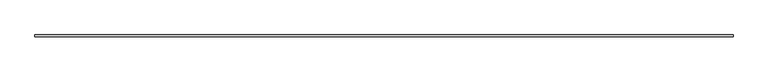
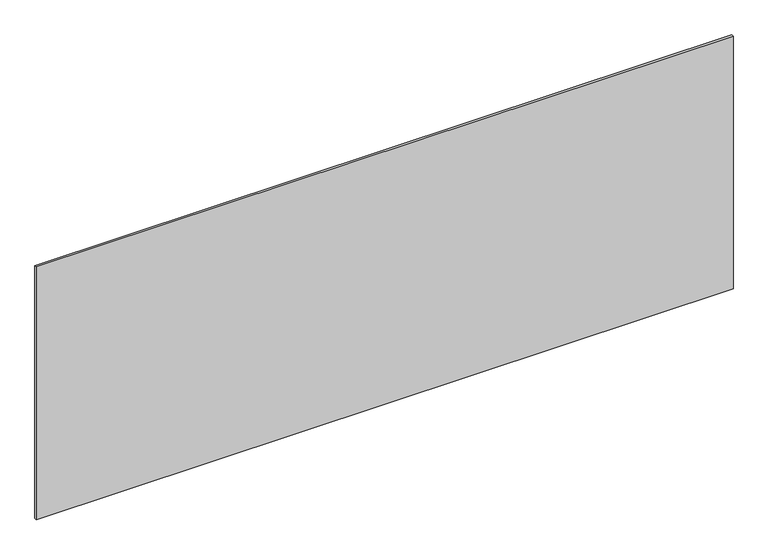
"""IFC4 building model written with IfcOpenShell, lengths in millimetres: plate geometry."""

from ifc_helpers import new_model, si_unit, origin, origin_with_axes, place, context, project, spatial, polyline, outline, extrude, source, transform, mapped, element, save


def plate_9518f84a(model_context):
    return source(origin(), model_context, "Body", "SweptSolid", [
        extrude(outline(polyline([(1697.5, -5.0), (-1697.5, -5.0), (-1697.5, 5.0), (1697.5, 5.0), (1697.5, -5.0)])), origin_with_axes(), (0.0, 0.0, 1.0), 1301.6065399),
    ])


if __name__ == "__main__":
    model = new_model("IFC4")
    model_context = context("Model", 3, world=origin())
    ifc_project = project(units=[si_unit("LENGTHUNIT", "METRE", prefix="MILLI")], contexts=[model_context])
    site = spatial("IfcSite", under=ifc_project)
    building = spatial("IfcBuilding", under=site)
    placement = place(None, origin())
    plate_shape = plate_9518f84a(model_context)
    element("IfcPlate", 1, at=placement, inside=building, context=model_context, shape_type="MappedRepresentation", body=[
        mapped(plate_shape, transform((0.0, 0.0, 0.0), x_axis=(1.0, 0.0, 0.0), y_axis=(0.0, 1.0, 0.0), z_axis=(0.0, 0.0, 1.0))),
    ])
    save(model, "model.ifc")
